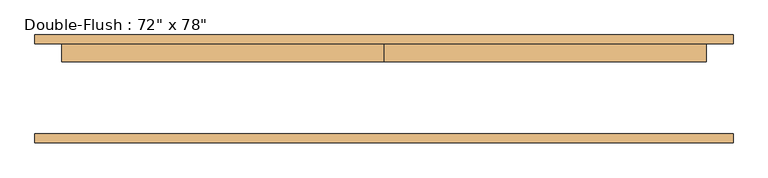
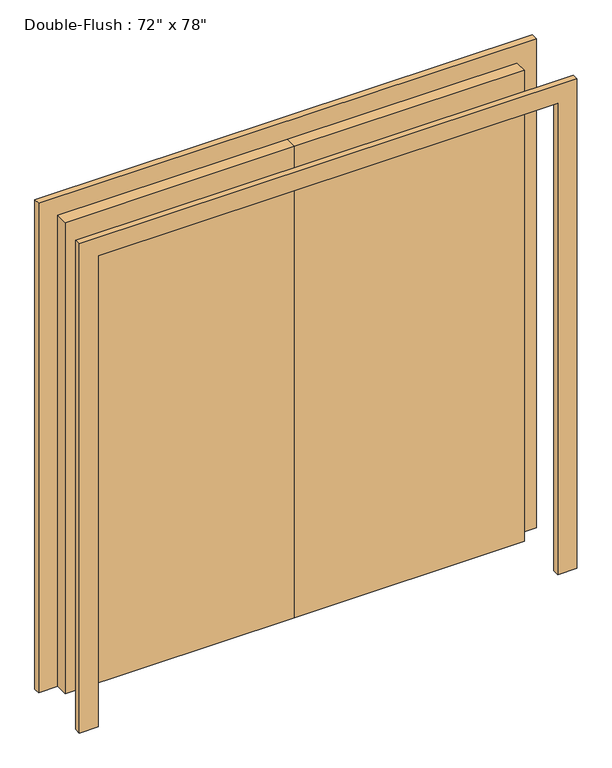
"""IFC4 building model written with IfcOpenShell, lengths in millimetres: door geometry."""

from ifc_helpers import new_model, si_unit, frame, origin, origin_with_axes, place, context, project, spatial, polyline, outline, extrude, source, transform, mapped, element, save


def door_6bfab20a(model_context):
    return source(origin(), model_context, "Body", "SweptSolid", [
        extrude(outline(polyline([(0.0, 127.475), (914.4, 127.475), (914.4, 76.675), (0.0, 76.675), (0.0, 127.475)])), origin_with_axes(), (0.0, 0.0, 1.0), 1981.2),
        extrude(outline(polyline([(-914.4, 127.475), (0.0, 127.475), (0.0, 76.675), (-914.4, 76.675), (-914.4, 127.475)])), origin_with_axes(), (0.0, 0.0, 1.0), 1981.2),
        extrude(outline(polyline([(1981.2, -914.4), (1981.2, 914.4), (0.0, 914.4), (0.0, 990.6), (2057.4, 990.6), (2057.4, -990.6), (0.0, -990.6), (0.0, -914.4), (1981.2, -914.4)])), frame((0.0, -152.875, 0.0), z_axis=(0.0, 1.0, 0.0), x_axis=(0.0, 0.0, 1.0)), (0.0, 0.0, 1.0), 25.4),
        extrude(outline(polyline([(1981.2, -914.4), (1981.2, 914.4), (0.0, 914.4), (0.0, 990.6), (2057.4, 990.6), (2057.4, -990.6), (0.0, -990.6), (0.0, -914.4), (1981.2, -914.4)])), frame((0.0, 127.475, 0.0), z_axis=(0.0, 1.0, 0.0), x_axis=(0.0, 0.0, 1.0)), (0.0, 0.0, 1.0), 25.4),
    ])


if __name__ == "__main__":
    model = new_model("IFC4")
    model_context = context("Model", 3, world=origin())
    ifc_project = project(units=[si_unit("LENGTHUNIT", "METRE", prefix="MILLI")], contexts=[model_context])
    site = spatial("IfcSite", under=ifc_project)
    building = spatial("IfcBuilding", under=site)
    placement = place(None, origin())
    door_shape = door_6bfab20a(model_context)
    element("IfcDoor", 1, ObjectType="Double-Flush : 72\" x 78\"", at=placement, inside=building, context=model_context, shape_type="MappedRepresentation", body=[
        mapped(door_shape, transform((0.0, 0.0, 0.0), x_axis=(1.0, 0.0, 0.0), y_axis=(0.0, 1.0, 0.0), z_axis=(0.0, 0.0, 1.0))),
    ])
    save(model, "model.ifc")
